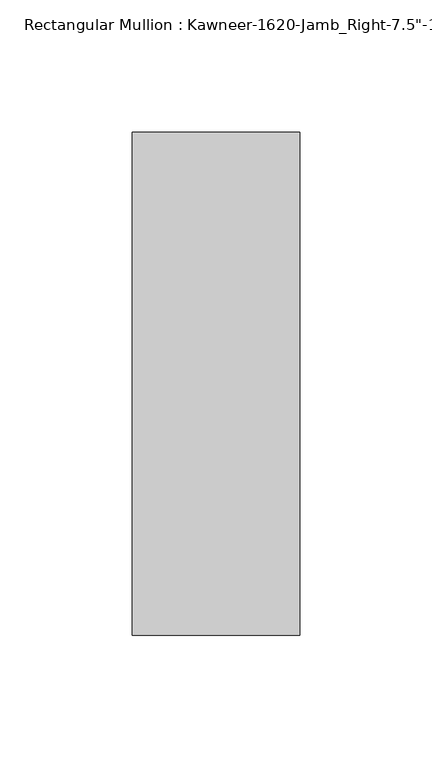
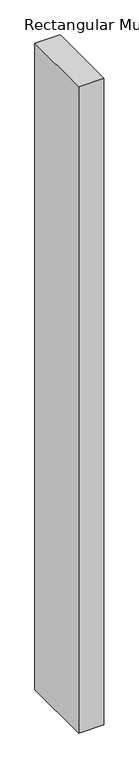
"""IFC4 building model written with IfcOpenShell, lengths in millimetres: member geometry."""

from ifc_helpers import new_model, si_unit, frame, origin, place, context, project, spatial, polyline, outline, extrude, source, transform, mapped, element, save


def member_5ec8b3da(model_context):
    return source(origin(), model_context, "Body", "SweptSolid", [
        extrude(outline(polyline([(-63.5, 38.1), (0.0, 38.1), (0.0, -152.4), (-63.5, -152.4), (-63.5, 38.1)])), frame((0.0, 0.0, -1720.85), z_axis=(0.0, 0.0, 1.0), x_axis=(1.0, 0.0, 0.0)), (0.0, 0.0, 1.0), 1720.85),
    ])


if __name__ == "__main__":
    model = new_model("IFC4")
    model_context = context("Model", 3, world=origin())
    ifc_project = project(units=[si_unit("LENGTHUNIT", "METRE", prefix="MILLI")], contexts=[model_context])
    site = spatial("IfcSite", under=ifc_project)
    building = spatial("IfcBuilding", under=site)
    placement = place(None, origin())
    member_shape = member_5ec8b3da(model_context)
    element("IfcMember", 1, ObjectType="Rectangular Mullion : Kawneer-1620-Jamb_Right-7.5\"-1\"Infill", at=placement, inside=building, context=model_context, shape_type="MappedRepresentation", body=[
        mapped(member_shape, transform((0.0, 0.0, 0.0), x_axis=(1.0, 0.0, 0.0), y_axis=(0.0, 1.0, 0.0), z_axis=(0.0, 0.0, 1.0))),
    ])
    save(model, "model.ifc")
